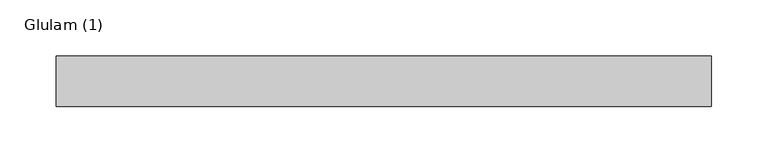
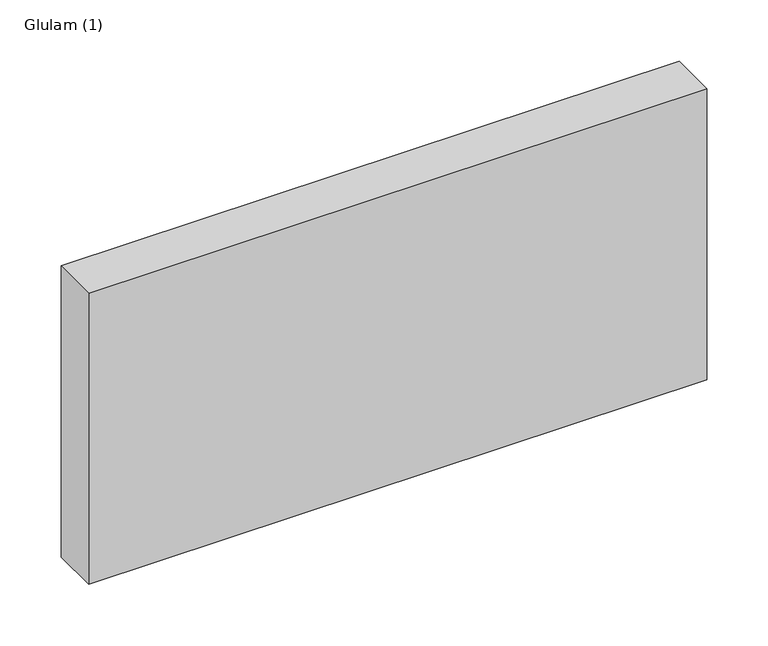
"""IFC4 building model written with IfcOpenShell, lengths in millimetres: beam geometry, Glulam (1)."""

from ifc_helpers import new_model, si_unit, frame, origin, place, context, project, spatial, polyline, outline, extrude, source, transform, mapped, element, save


def glulam_1_838ab96f(model_context):
    return source(origin(), model_context, "Body", "SweptSolid", [
        extrude(outline(polyline([(292.5, 22.5), (292.5, -22.5), (-289.5, -22.5), (-289.5, 22.5), (292.5, 22.5)])), frame((0.0, 0.0, -145.0), z_axis=(0.0, 0.0, 1.0), x_axis=(1.0, 0.0, 0.0)), (0.0, 0.0, 1.0), 290.0),
    ])


if __name__ == "__main__":
    model = new_model("IFC4")
    model_context = context("Model", 3, world=origin())
    ifc_project = project(units=[si_unit("LENGTHUNIT", "METRE", prefix="MILLI")], contexts=[model_context])
    site = spatial("IfcSite", under=ifc_project)
    building = spatial("IfcBuilding", under=site)
    placement = place(None, origin())
    glulam_1_shape = glulam_1_838ab96f(model_context)
    element("IfcBeam", 1, ObjectType="Glulam (1)", at=placement, inside=building, context=model_context, shape_type="MappedRepresentation", body=[
        mapped(glulam_1_shape, transform((0.0, 0.0, 0.0), x_axis=(1.0, 0.0, 0.0), y_axis=(0.0, 1.0, 0.0), z_axis=(0.0, 0.0, 1.0))),
    ])
    save(model, "model.ifc")
